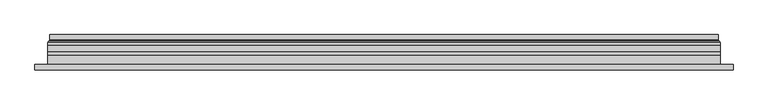
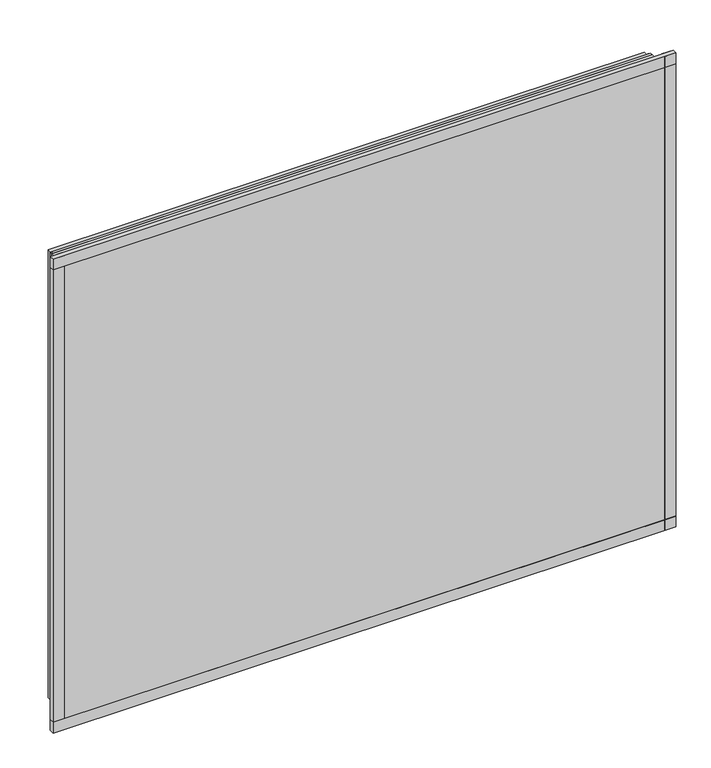
"""IFC4 building model written with IfcOpenShell, lengths in millimetres: plate geometry."""

from ifc_helpers import new_model, si_unit, frame, origin, place, context, project, spatial, polyline, ellipse_curve, outline, extrude, source, transform, mapped, element, save
from ifc_brep_helpers import plane_surface, cylinder_surface, revolved_surface, advanced_brep


def plate_183f8708(model_context):
    return source(origin(), model_context, "Body", "SolidModel", [
        extrude(outline(polyline([(33.5, -591.5), (33.5, 591.5), (966.5, 591.5), (966.5, -591.5), (33.5, -591.5)]), holes=[polyline([(38.5, 586.5), (38.5, -586.5), (961.5, -586.5), (961.5, 586.5), (38.5, 586.5)])]), frame((0.0, 0.0, 0.0), z_axis=(0.0, 1.0, 0.0), x_axis=(0.0, 0.0, 1.0)), (0.0, 0.0, 1.0), 12.0),
        extrude(outline(polyline([(11.5, -613.5), (11.5, 613.5), (988.5, 613.5), (988.5, -613.5), (11.5, -613.5)]), holes=[polyline([(33.5, 591.5), (33.5, -591.5), (966.5, -591.5), (966.5, 591.5), (33.5, 591.5)])]), frame((0.0, -26.0, 0.0), z_axis=(0.0, 1.0, 0.0), x_axis=(0.0, 0.0, 1.0)), (0.0, 0.0, 1.0), 20.0),
        extrude(outline(polyline([(11.5, -613.5), (11.5, 613.5), (988.5, 613.5), (988.5, -613.5), (11.5, -613.5)]), holes=[polyline([(33.5, 591.5), (33.5, -591.5), (966.5, -591.5), (966.5, 591.5), (33.5, 591.5)])]), frame((0.0, -26.0, 0.0), z_axis=(0.0, 1.0, 0.0), x_axis=(0.0, 0.0, 1.0)), (0.0, 0.0, 1.0), 20.0),
        extrude(outline(polyline([(613.5, -6.0), (-613.5, -6.0), (-613.5, 0.0), (613.5, 0.0), (613.5, -6.0)])), frame((0.0, 0.0, 11.5), z_axis=(0.0, 0.0, 1.0), x_axis=(1.0, 0.0, 0.0)), (0.0, 0.0, 1.0), 977.0),
        extrude(outline(polyline([(636.5, -32.0), (-636.5, -32.0), (-636.5, -22.51), (636.5, -22.51), (636.5, -32.0)])), frame((0.0, 0.0, -11.5), z_axis=(0.0, 0.0, 1.0), x_axis=(1.0, 0.0, 0.0)), (0.0, 0.0, 1.0), 23.0),
        extrude(outline(polyline([(636.5, -32.0), (-636.5, -32.0), (-636.5, -22.51), (636.5, -22.51), (636.5, -32.0)])), frame((0.0, 0.0, 988.5), z_axis=(0.0, 0.0, 1.0), x_axis=(1.0, 0.0, 0.0)), (0.0, 0.0, 1.0), 23.0),
        extrude(outline(polyline([(-636.5, -32.0), (-636.5, -22.51), (-613.5, -22.51), (-613.5, -32.0), (-636.5, -32.0)])), frame((0.0, 0.0, -11.5), z_axis=(0.0, 0.0, 1.0), x_axis=(1.0, 0.0, 0.0)), (0.0, 0.0, 1.0), 1023.0),
        extrude(outline(polyline([(636.5, -32.0), (613.5, -32.0), (613.5, -22.51), (636.5, -22.51), (636.5, -32.0)])), frame((0.0, 0.0, -11.5), z_axis=(0.0, 0.0, 1.0), x_axis=(1.0, 0.0, 0.0)), (0.0, 0.0, 1.0), 1023.0),
        extrude(outline(polyline([(11.5, -613.5), (11.5, 613.5), (988.5, 613.5), (988.5, -613.5), (11.5, -613.5)]), holes=[polyline([(33.5, 591.5), (33.5, -591.5), (966.5, -591.5), (966.5, 591.5), (33.5, 591.5)])]), frame((0.0, 0.0, 0.0), z_axis=(0.0, 1.0, 0.0), x_axis=(0.0, 0.0, 1.0)), (0.0, 0.0, 1.0), 12.0),
        extrude(outline(polyline([(33.5, -591.5), (33.5, 591.5), (966.5, 591.5), (966.5, -591.5), (33.5, -591.5)]), holes=[polyline([(38.5, 586.5), (38.5, -586.5), (961.5, -586.5), (961.5, 586.5), (38.5, 586.5)])]), frame((0.0, -26.0, 0.0), z_axis=(0.0, 1.0, 0.0), x_axis=(0.0, 0.0, 1.0)), (0.0, 0.0, 1.0), 20.0),
        extrude(outline(polyline([(613.5, 18.0), (613.5, 12.0), (-613.5, 12.0), (-613.5, 18.0), (613.5, 18.0)])), frame((0.0, 0.0, 11.5), z_axis=(0.0, 0.0, 1.0), x_axis=(1.0, 0.0, 0.0)), (0.0, 0.0, 1.0), 977.0),
        extrude(outline(polyline([(-613.5, -32.0), (-613.5, -26.0), (613.5, -26.0), (613.5, -32.0), (-613.5, -32.0)])), frame((0.0, 0.0, 11.5), z_axis=(0.0, 0.0, 1.0), x_axis=(1.0, 0.0, 0.0)), (0.0, 0.0, 1.0), 977.0),
        advanced_brep(
        [(600.0000103, 32.0, 24.9999897), (-600.0000103, 32.0, 24.9999897), (-600.0000103, 21.9110895, 24.9999897), (600.0000103, 21.9110895, 24.9999897), (608.9986526, 23.3044663, 16.0013474), (-608.9986526, 23.3044663, 16.0013474), (-608.9986526, 32.0, 16.0013474), (608.9986526, 32.0, 16.0013474), (610.6689727, 20.9442833, 14.3310273), (-610.6689727, 20.9442833, 14.3310273), (610.2544044, 18.0034569, 14.7455956), (-610.2544044, 18.0034569, 14.7455956), (599.0620948, 20.2163959, 25.9379052), (-599.0620948, 20.2163959, 25.9379052), (-599.6992268, 18.0000006, 25.3007732), (599.6992268, 18.0000006, 25.3007732), (-600.0000103, 32.0, 975.0000103), (-600.0000103, 21.9110895, 975.0000103), (-608.9986526, 23.3044663, 983.9986526), (-608.9986526, 32.0, 983.9986526), (-610.6689727, 20.9442833, 985.6689727), (-610.2544044, 18.0034569, 985.2544044), (-599.0620948, 20.2163959, 974.0620948), (-599.6992268, 18.0000006, 974.6992268), (600.0000103, 32.0, 975.0000103), (600.0000103, 21.9110895, 975.0000103), (608.9986526, 23.3044663, 983.9986526), (608.9986526, 32.0, 983.9986526), (610.6689727, 20.9442833, 985.6689727), (610.2544044, 18.0034569, 985.2544044), (599.0620948, 20.2163959, 974.0620948), (599.6992268, 18.0000006, 974.6992268)],
        [
            (0, 1),
            (1, 2),
            (2, 3),
            (3, 0),
            (4, 5),
            (5, 6),
            (6, 7),
            (7, 4),
            (8, 9),
            (9, 5, ellipse_curve(frame((-611.3086832, 23.1681522, 13.6913168), z_axis=(-0.7071067811865475, 0.0, 0.7071067811865475), x_axis=(-0.7071067811865476, 0.0, -0.7071067811865474)), 3.2725594, 2.314049)),
            (4, 8, ellipse_curve(frame((611.3086832, 23.1681522, 13.6913168), z_axis=(0.7071067811865475, 0.0, 0.7071067811865475), x_axis=(-0.7071067811865476, 0.0, 0.7071067811865474)), 3.2725594, 2.314049)),
            (10, 11),
            (11, 9, ellipse_curve(frame((-610.2544044, 19.5030909, 14.7455956), z_axis=(0.7071067811865475, 0.0, -0.7071067811865475), x_axis=(0.7071067811865476, 0.0, 0.7071067811865474)), 2.1208028, 1.4996341)),
            (8, 10, ellipse_curve(frame((610.2544044, 19.5030909, 14.7455956), z_axis=(-0.7071067811865475, 0.0, -0.7071067811865475), x_axis=(0.7071067811865476, 0.0, -0.7071067811865474)), 2.1208028, 1.4996341)),
            (12, 13),
            (13, 14, ellipse_curve(frame((-599.6992268, 19.1997743, 25.3007732), z_axis=(0.7071067811865475, 0.0, -0.7071067811865475), x_axis=(0.7071067811865476, 0.0, 0.7071067811865474)), 1.6967361, 1.1997736)),
            (14, 15),
            (15, 12, ellipse_curve(frame((599.6992268, 19.1997743, 25.3007732), z_axis=(-0.7071067811865475, 0.0, -0.7071067811865475), x_axis=(0.7071067811865476, 0.0, -0.7071067811865474)), 1.6967361, 1.1997736)),
            (2, 13, ellipse_curve(frame((-598.0000051, 21.9110895, 26.9999949), z_axis=(-0.7071067811865475, 0.0, 0.7071067811865475), x_axis=(-0.7071067811865476, 0.0, -0.7071067811865474)), 2.8284345, 2.0000052)),
            (12, 3, ellipse_curve(frame((598.0000051, 21.9110895, 26.9999949), z_axis=(0.7071067811865475, 0.0, 0.7071067811865475), x_axis=(-0.7071067811865476, 0.0, 0.7071067811865474)), 2.8284345, 2.0000052)),
            (1, 16),
            (16, 17),
            (17, 2),
            (5, 18),
            (18, 19),
            (19, 6),
            (9, 20),
            (20, 18, ellipse_curve(frame((-611.3086832, 23.1681522, 986.3086832), z_axis=(0.7071067811865475, 0.0, 0.7071067811865475), x_axis=(-0.7071067811865474, 0.0, 0.7071067811865476)), 3.2725594, 2.314049)),
            (11, 21),
            (21, 20, ellipse_curve(frame((-610.2544044, 19.5030909, 985.2544044), z_axis=(-0.7071067811865475, 0.0, -0.7071067811865475), x_axis=(0.7071067811865474, 0.0, -0.7071067811865476)), 2.1208028, 1.4996341)),
            (13, 22),
            (22, 23, ellipse_curve(frame((-599.6992268, 19.1997743, 974.6992268), z_axis=(-0.7071067811865475, 0.0, -0.7071067811865475), x_axis=(0.7071067811865474, 0.0, -0.7071067811865476)), 1.6967361, 1.1997736)),
            (23, 14),
            (17, 22, ellipse_curve(frame((-598.0000051, 21.9110895, 973.0000051), z_axis=(0.7071067811865475, 0.0, 0.7071067811865475), x_axis=(-0.7071067811865474, 0.0, 0.7071067811865476)), 2.8284345, 2.0000052)),
            (16, 24),
            (24, 25),
            (25, 17),
            (18, 26),
            (26, 27),
            (27, 19),
            (20, 28),
            (28, 26, ellipse_curve(frame((611.3086832, 23.1681522, 986.3086832), z_axis=(0.7071067811865475, 0.0, -0.7071067811865475), x_axis=(0.7071067811865476, 0.0, 0.7071067811865474)), 3.2725594, 2.314049)),
            (21, 29),
            (29, 28, ellipse_curve(frame((610.2544044, 19.5030909, 985.2544044), z_axis=(-0.7071067811865475, 0.0, 0.7071067811865475), x_axis=(-0.7071067811865476, 0.0, -0.7071067811865474)), 2.1208028, 1.4996341)),
            (22, 30),
            (30, 31, ellipse_curve(frame((599.6992268, 19.1997743, 974.6992268), z_axis=(-0.7071067811865475, 0.0, 0.7071067811865475), x_axis=(-0.7071067811865476, 0.0, -0.7071067811865474)), 1.6967361, 1.1997736)),
            (31, 23),
            (25, 30, ellipse_curve(frame((598.0000051, 21.9110895, 973.0000051), z_axis=(0.7071067811865475, 0.0, -0.7071067811865475), x_axis=(0.7071067811865476, 0.0, 0.7071067811865474)), 2.8284345, 2.0000052)),
            (24, 0),
            (3, 25),
            (26, 4),
            (7, 27),
            (28, 8),
            (29, 10),
            (31, 15),
            (30, 12),
        ],
        [
            plane_surface(frame((600.0000103, 21.9110895, 24.9999897), z_axis=(0.0, 0.0, 1.0), x_axis=(-1.0, 0.0, 0.0))),
            plane_surface(frame((608.9986526, 32.0, 16.0013474), z_axis=(0.0, 0.0, -1.0), x_axis=(-1.0, 0.0, 0.0))),
            revolved_surface(polyline([(-613.6227321435756, 25.482201200000002, 13.6913168), (613.6227321435758, 25.482201200000002, 13.6913168)]), (600.0, 23.1681522, 13.6913168), (-1.0, 0.0, 0.0)),
            cylinder_surface(frame((600.0, 19.5030909, 14.7455956), z_axis=(1.0, 0.0, 0.0), x_axis=(0.0, 1.0, 0.0)), 1.4996341),
            cylinder_surface(frame((600.0, 19.1997743, 25.3007732), z_axis=(1.0, 0.0, 0.0), x_axis=(0.0, 1.0, 0.0)), 1.1997736),
            revolved_surface(polyline([(-600.0000103150919, 23.9110947, 26.9999949), (600.0000103150919, 23.9110947, 26.9999949)]), (600.0, 21.9110895, 26.9999949), (-1.0, 0.0, 0.0)),
            plane_surface(frame((-600.0000103, 21.9110895, 24.9999897), z_axis=(1.0, 0.0, 0.0), x_axis=(0.0, 0.0, 1.0))),
            plane_surface(frame((-608.9986526, 32.0, 16.0013474), z_axis=(-1.0, 0.0, 0.0), x_axis=(0.0, 0.0, 1.0))),
            revolved_surface(polyline([(-611.3086832, 25.482201200000002, 988.6227321435758), (-611.3086832, 25.482201200000002, 11.37726785642422)]), (-611.3086832, 23.1681522, 25.0), (0.0, 0.0, 1.0)),
            cylinder_surface(frame((-610.2544044, 19.5030909, 25.0), z_axis=(0.0, 0.0, -1.0), x_axis=(0.0, 1.0, 0.0)), 1.4996341),
            cylinder_surface(frame((-599.6992268, 19.1997743, 25.0), z_axis=(0.0, 0.0, -1.0), x_axis=(0.0, 1.0, 0.0)), 1.1997736),
            revolved_surface(polyline([(-598.0000051, 23.9110947, 975.0000103150919), (-598.0000051, 23.9110947, 24.99998968490802)]), (-598.0000051, 21.9110895, 25.0), (0.0, 0.0, 1.0)),
            plane_surface(frame((-600.0000103, 21.9110895, 975.0000103), z_axis=(0.0, 0.0, -1.0), x_axis=(1.0, 0.0, 0.0))),
            plane_surface(frame((-608.9986526, 32.0, 983.9986526), z_axis=(0.0, 0.0, 1.0), x_axis=(1.0, 0.0, 0.0))),
            revolved_surface(polyline([(613.6227321435756, 25.482201200000002, 986.3086832), (-613.6227321435758, 25.482201200000002, 986.3086832)]), (-600.0, 23.1681522, 986.3086832), (1.0, 0.0, 0.0)),
            cylinder_surface(frame((-600.0, 19.5030909, 985.2544044), z_axis=(-1.0, 0.0, 0.0), x_axis=(0.0, 1.0, 0.0)), 1.4996341),
            cylinder_surface(frame((-600.0, 19.1997743, 974.6992268), z_axis=(-1.0, 0.0, 0.0), x_axis=(0.0, 1.0, 0.0)), 1.1997736),
            revolved_surface(polyline([(600.0000103150919, 23.9110947, 973.0000051), (-600.0000103150919, 23.9110947, 973.0000051)]), (-600.0, 21.9110895, 973.0000051), (1.0, 0.0, 0.0)),
            plane_surface(frame((600.0000103, 21.9110895, 975.0000103), z_axis=(-1.0, 0.0, 0.0), x_axis=(0.0, 0.0, -1.0))),
            plane_surface(frame((608.9986526, 32.0, 983.9986526), z_axis=(1.0, 0.0, 0.0), x_axis=(0.0, 0.0, -1.0))),
            revolved_surface(polyline([(611.3086832, 25.482201200000002, 11.377267856424169), (611.3086832, 25.482201200000002, 988.6227321435758)]), (611.3086832, 23.1681522, 975.0), (0.0, 0.0, -1.0)),
            cylinder_surface(frame((610.2544044, 19.5030909, 975.0), z_axis=(0.0, 0.0, 1.0), x_axis=(0.0, 1.0, 0.0)), 1.4996341),
            plane_surface(frame((610.2544044, 18.0000006, 985.2544044), z_axis=(0.0, -1.0, 0.0), x_axis=(0.0, 0.0, -1.0))),
            cylinder_surface(frame((599.6992268, 19.1997743, 975.0), z_axis=(0.0, 0.0, 1.0), x_axis=(0.0, 1.0, 0.0)), 1.1997736),
            revolved_surface(polyline([(598.0000051, 23.9110947, 24.999989684908087), (598.0000051, 23.9110947, 975.0000103150919)]), (598.0000051, 21.9110895, 975.0), (0.0, 0.0, -1.0)),
            plane_surface(frame((600.0000103, 32.0, 975.0000103), z_axis=(0.0, 1.0, 0.0), x_axis=(0.0, 0.0, -1.0))),
        ],
        [
            (0, [[1, 2, 3, 4]]),
            (1, [[5, 6, 7, 8]]),
            (2, [[9, 10, -5, 11]]),
            (3, [[12, 13, -9, 14]]),
            (4, [[15, 16, 17, 18]]),
            (5, [[-3, 19, -15, 20]]),
            (6, [[21, 22, 23, -2]]),
            (7, [[24, 25, 26, -6]]),
            (8, [[27, 28, -24, -10]]),
            (9, [[29, 30, -27, -13]]),
            (10, [[31, 32, 33, -16]]),
            (11, [[-23, 34, -31, -19]]),
            (12, [[35, 36, 37, -22]]),
            (13, [[38, 39, 40, -25]]),
            (14, [[41, 42, -38, -28]]),
            (15, [[43, 44, -41, -30]]),
            (16, [[45, 46, 47, -32]]),
            (17, [[-37, 48, -45, -34]]),
            (18, [[49, -4, 50, -36]]),
            (19, [[51, -8, 52, -39]]),
            (20, [[53, -11, -51, -42]]),
            (21, [[54, -14, -53, -44]]),
            (22, [[-12, -54, -43, -29], [-17, -33, -47, 55]]),
            (23, [[56, -18, -55, -46]]),
            (24, [[-50, -20, -56, -48]]),
            (25, [[-7, -26, -40, -52], [-1, -49, -35, -21]]),
        ],
    ),
    ])


if __name__ == "__main__":
    model = new_model("IFC4")
    model_context = context("Model", 3, world=origin())
    ifc_project = project(units=[si_unit("LENGTHUNIT", "METRE", prefix="MILLI")], contexts=[model_context])
    site = spatial("IfcSite", under=ifc_project)
    building = spatial("IfcBuilding", under=site)
    placement = place(None, origin())
    plate_shape = plate_183f8708(model_context)
    element("IfcPlate", 1, at=placement, inside=building, context=model_context, shape_type="MappedRepresentation", body=[
        mapped(plate_shape, transform((0.0, 0.0, 0.0), x_axis=(1.0, 0.0, 0.0), y_axis=(0.0, 1.0, 0.0), z_axis=(0.0, 0.0, 1.0))),
    ])
    save(model, "model.ifc")
